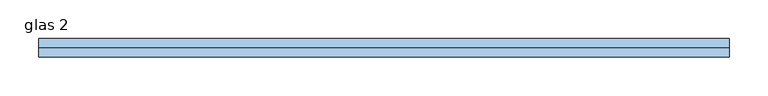
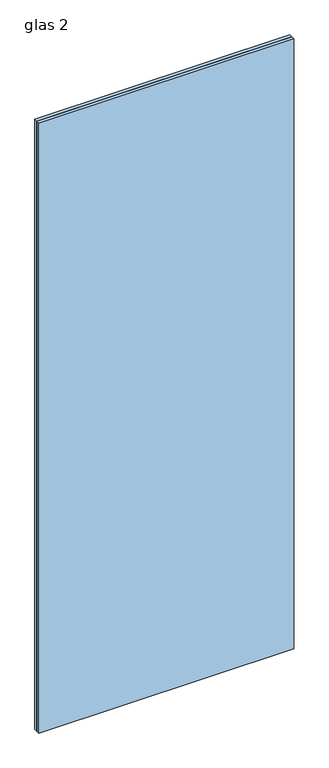
"""IFC4 building model written with IfcOpenShell, lengths in millimetres: window geometry, glas 2."""

from ifc_helpers import new_model, si_unit, origin, origin_with_axes, place, context, project, spatial, polyline, outline, extrude, source, transform, mapped, element, save


def glas_2_dd1bf3e4(model_context):
    return source(origin(), model_context, "Body", "SweptSolid", [
        extrude(outline(polyline([(-446.5, 12.0), (446.5, 12.0), (446.5, 0.0), (-446.5, 0.0), (-446.5, 12.0)])), origin_with_axes(), (0.0, 0.0, 1.0), 2259.5),
        extrude(outline(polyline([(-446.5, 0.0), (446.5, 0.0), (446.5, -12.0), (-446.5, -12.0), (-446.5, 0.0)])), origin_with_axes(), (0.0, 0.0, 1.0), 2259.5),
    ])


if __name__ == "__main__":
    model = new_model("IFC4")
    model_context = context("Model", 3, world=origin())
    ifc_project = project(units=[si_unit("LENGTHUNIT", "METRE", prefix="MILLI")], contexts=[model_context])
    site = spatial("IfcSite", under=ifc_project)
    building = spatial("IfcBuilding", under=site)
    placement = place(None, origin())
    glas_2_shape = glas_2_dd1bf3e4(model_context)
    element("IfcWindow", 1, ObjectType="glas 2", at=placement, inside=building, context=model_context, shape_type="MappedRepresentation", body=[
        mapped(glas_2_shape, transform((0.0, 0.0, 0.0), x_axis=(1.0, 0.0, 0.0), y_axis=(0.0, 1.0, 0.0), z_axis=(0.0, 0.0, 1.0))),
    ])
    save(model, "model.ifc")
